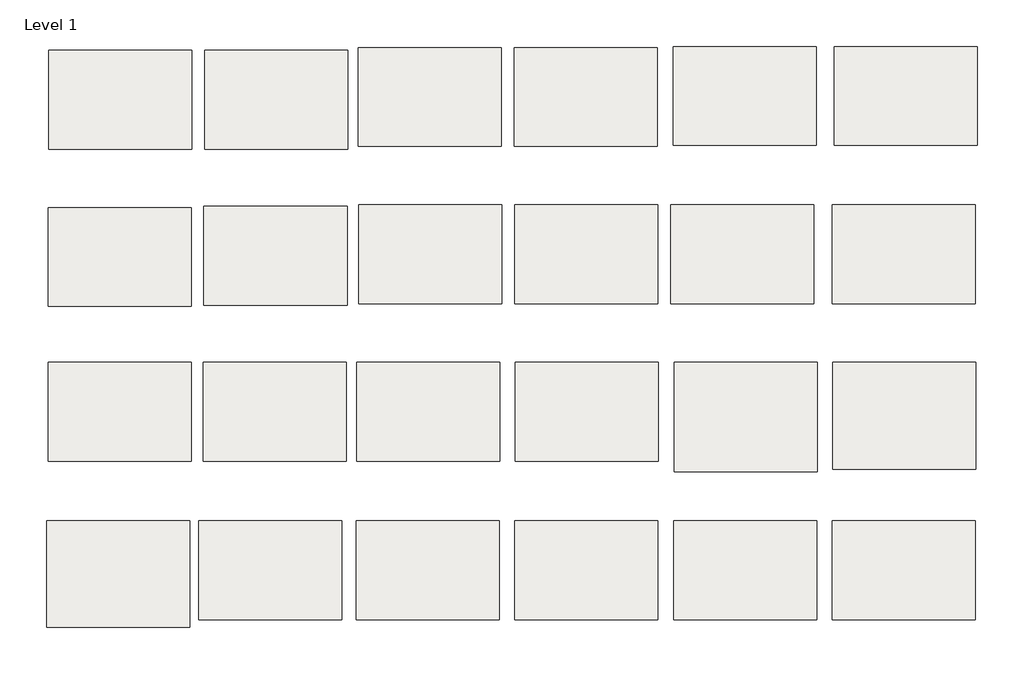
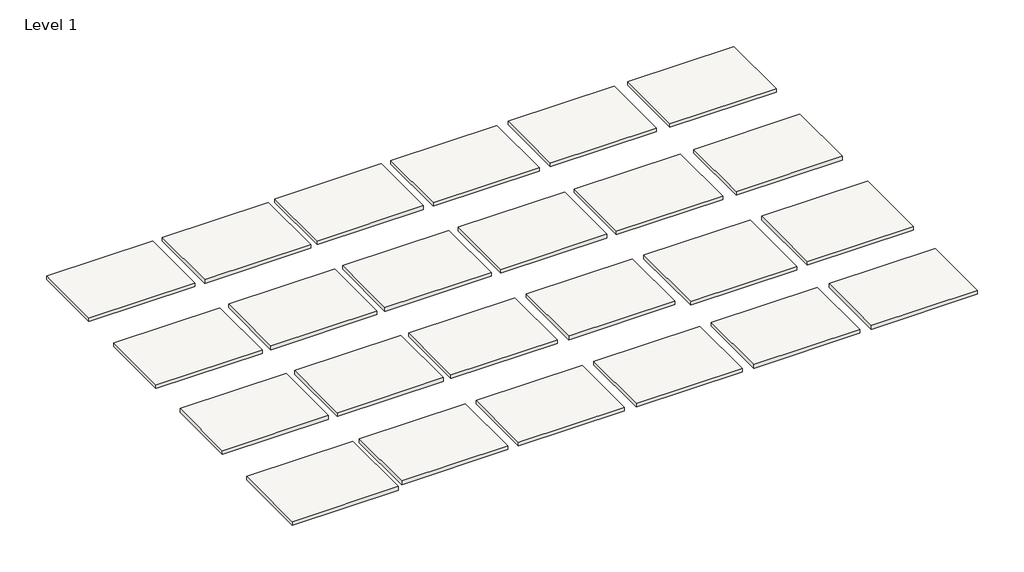
# One storey: 24 slabs.
"""IFC4 building model written with IfcOpenShell, lengths in millimetres."""

from ifc_helpers import new_model, si_unit, frame, origin, place, context, project, spatial, polyline, outline, extrude, element, save

model = new_model("IFC4")

# Units and contexts
model_context = context("Model", 3, world=origin())
ifc_project = project(units=[si_unit("LENGTHUNIT", "METRE", prefix="MILLI")], contexts=[model_context])

# Site, building, storey
site = spatial("IfcSite", under=ifc_project)
building = spatial("IfcBuilding", under=site)
storey = spatial("IfcBuildingStorey", under=building, Name="Level 1", Elevation=0.0)

# Slabs
placement = place(None, origin())
element("IfcSlab", 1, at=placement, inside=storey, context=model_context, shape_type="SweptSolid", body=[
    extrude(outline(polyline([(-1743.8903258, 4705.4284749), (-1743.8903258, 4464.1284749), (-2093.1403258, 4464.1284749), (-2093.1403258, 4705.4284749), (-1743.8903258, 4705.4284749)])), frame((0.0, 0.0, -12.7), z_axis=(0.0, 0.0, 1.0), x_axis=(1.0, 0.0, 0.0)), (0.0, 0.0, 1.0), 12.7),
])
element("IfcSlab", 2, at=placement, inside=storey, context=model_context, shape_type="SweptSolid", body=[
    extrude(outline(polyline([(-1362.8903258, 4705.4284749), (-1362.8903258, 4464.1284749), (-1712.1403258, 4464.1284749), (-1712.1403258, 4705.4284749), (-1362.8903258, 4705.4284749)])), frame((0.0, 0.0, -12.7), z_axis=(0.0, 0.0, 1.0), x_axis=(1.0, 0.0, 0.0)), (0.0, 0.0, 1.0), 12.7),
])
element("IfcSlab", 3, at=placement, inside=storey, context=model_context, shape_type="SweptSolid", body=[
    extrude(outline(polyline([(-988.2403258, 4711.7784749), (-988.2403258, 4470.4784749), (-1337.4903258, 4470.4784749), (-1337.4903258, 4711.7784749), (-988.2403258, 4711.7784749)])), frame((0.0, 0.0, -12.7), z_axis=(0.0, 0.0, 1.0), x_axis=(1.0, 0.0, 0.0)), (0.0, 0.0, 1.0), 12.7),
])
element("IfcSlab", 4, at=placement, inside=storey, context=model_context, shape_type="SweptSolid", body=[
    extrude(outline(polyline([(-607.2403258, 4711.7784749), (-607.2403258, 4470.4784749), (-956.4903258, 4470.4784749), (-956.4903258, 4711.7784749), (-607.2403258, 4711.7784749)])), frame((0.0, 0.0, -12.7), z_axis=(0.0, 0.0, 1.0), x_axis=(1.0, 0.0, 0.0)), (0.0, 0.0, 1.0), 12.7),
])
element("IfcSlab", 5, at=placement, inside=storey, context=model_context, shape_type="SweptSolid", body=[
    extrude(outline(polyline([(-1744.8704815, 4321.3682137), (-1744.8704815, 4080.0682137), (-2094.1204815, 4080.0682137), (-2094.1204815, 4321.3682137), (-1744.8704815, 4321.3682137)])), frame((0.0, 0.0, -12.7), z_axis=(0.0, 0.0, 1.0), x_axis=(1.0, 0.0, 0.0)), (0.0, 0.0, 1.0), 12.7),
])
element("IfcSlab", 6, at=placement, inside=storey, context=model_context, shape_type="SweptSolid", body=[
    extrude(outline(polyline([(-987.1099457, 4327.7182137), (-987.1099457, 4086.4182137), (-1336.3599457, 4086.4182137), (-1336.3599457, 4327.7182137), (-987.1099457, 4327.7182137)])), frame((0.0, 0.0, -12.7), z_axis=(0.0, 0.0, 1.0), x_axis=(1.0, 0.0, 0.0)), (0.0, 0.0, 1.0), 12.7),
])
element("IfcSlab", 7, at=placement, inside=storey, context=model_context, shape_type="SweptSolid", body=[
    extrude(outline(polyline([(-225.1099457, 4327.7182137), (-225.1099457, 4086.4182137), (-574.3599457, 4086.4182137), (-574.3599457, 4327.7182137), (-225.1099457, 4327.7182137)])), frame((0.0, 0.0, -12.7), z_axis=(0.0, 0.0, 1.0), x_axis=(1.0, 0.0, 0.0)), (0.0, 0.0, 1.0), 12.7),
])
element("IfcSlab", 8, at=placement, inside=storey, context=model_context, shape_type="SweptSolid", body=[
    extrude(outline(polyline([(-1366.6347215, 3943.337432), (-1366.6347215, 3702.037432), (-1715.8847215, 3702.037432), (-1715.8847215, 3943.337432), (-1366.6347215, 3943.337432)])), frame((0.0, 0.0, -12.7), z_axis=(0.0, 0.0, 1.0), x_axis=(1.0, 0.0, 0.0)), (0.0, 0.0, 1.0), 12.7),
])
element("IfcSlab", 9, at=placement, inside=storey, context=model_context, shape_type="SweptSolid", body=[
    extrude(outline(polyline([(-1377.3157481, 3556.8227902), (-1377.3157481, 3315.5227902), (-1726.5657481, 3315.5227902), (-1726.5657481, 3556.8227902), (-1377.3157481, 3556.8227902)])), frame((0.0, 0.0, -12.7), z_axis=(0.0, 0.0, 1.0), x_axis=(1.0, 0.0, 0.0)), (0.0, 0.0, 1.0), 12.7),
])
element("IfcSlab", 10, at=placement, inside=storey, context=model_context, shape_type="SweptSolid", body=[
    extrude(outline(polyline([(-993.1407481, 3556.8227902), (-993.1407481, 3315.5227902), (-1342.3907481, 3315.5227902), (-1342.3907481, 3556.8227902), (-993.1407481, 3556.8227902)])), frame((0.0, 0.0, -12.7), z_axis=(0.0, 0.0, 1.0), x_axis=(1.0, 0.0, 0.0)), (0.0, 0.0, 1.0), 12.7),
])
element("IfcSlab", 11, at=placement, inside=storey, context=model_context, shape_type="SweptSolid", body=[
    extrude(outline(polyline([(-605.7907481, 3556.8227902), (-605.7907481, 3315.5227902), (-955.0407481, 3315.5227902), (-955.0407481, 3556.8227902), (-605.7907481, 3556.8227902)])), frame((0.0, 0.0, -12.7), z_axis=(0.0, 0.0, 1.0), x_axis=(1.0, 0.0, 0.0)), (0.0, 0.0, 1.0), 12.7),
])
element("IfcSlab", 12, at=placement, inside=storey, context=model_context, shape_type="SweptSolid", body=[
    extrude(outline(polyline([(-218.4407481, 3556.8227902), (-218.4407481, 3315.5227902), (-567.6907481, 3315.5227902), (-567.6907481, 3556.8227902), (-218.4407481, 3556.8227902)])), frame((0.0, 0.0, -12.7), z_axis=(0.0, 0.0, 1.0), x_axis=(1.0, 0.0, 0.0)), (0.0, 0.0, 1.0), 12.7),
])
element("IfcSlab", 13, at=placement, inside=storey, context=model_context, shape_type="SweptSolid", body=[
    extrude(outline(polyline([(168.9092519, 3556.8227902), (168.9092519, 3315.5227902), (-180.3407481, 3315.5227902), (-180.3407481, 3556.8227902), (168.9092519, 3556.8227902)])), frame((0.0, 0.0, -12.7), z_axis=(0.0, 0.0, 1.0), x_axis=(1.0, 0.0, 0.0)), (0.0, 0.0, 1.0), 12.7),
])
element("IfcSlab", 14, ObjectType="Edgewood Base Tread GB 200 - 1/2\" Thick - HD Carpet Charcoal", at=placement, inside=storey, context=model_context, shape_type="SweptSolid", body=[
    extrude(outline(polyline([(-1364.5207341, 4324.5432137), (-1364.5207341, 4083.2432137), (-1713.7707341, 4083.2432137), (-1713.7707341, 4324.5432137), (-1364.5207341, 4324.5432137)])), frame((0.0, 0.0, -12.7), z_axis=(0.0, 0.0, 1.0), x_axis=(1.0, 0.0, 0.0)), (0.0, 0.0, 1.0), 12.7),
])
element("IfcSlab", 15, ObjectType="Edgewood Base Tread GB 200 - 1/2\" Thick - HD Carpet Denim", at=placement, inside=storey, context=model_context, shape_type="SweptSolid", body=[
    extrude(outline(polyline([(-606.1099457, 4327.7182137), (-606.1099457, 4086.4182137), (-955.3599457, 4086.4182137), (-955.3599457, 4327.7182137), (-606.1099457, 4327.7182137)])), frame((0.0, 0.0, -12.7), z_axis=(0.0, 0.0, 1.0), x_axis=(1.0, 0.0, 0.0)), (0.0, 0.0, 1.0), 12.7),
])
element("IfcSlab", 16, ObjectType="Edgewood Base Tread GB 200 - 1/2\" Thick - HD Carpet Espresso", at=placement, inside=storey, context=model_context, shape_type="SweptSolid", body=[
    extrude(outline(polyline([(168.5900543, 4327.7182137), (168.5900543, 4086.4182137), (-180.6599457, 4086.4182137), (-180.6599457, 4327.7182137), (168.5900543, 4327.7182137)])), frame((0.0, 0.0, -12.7), z_axis=(0.0, 0.0, 1.0), x_axis=(1.0, 0.0, 0.0)), (0.0, 0.0, 1.0), 12.7),
])
element("IfcSlab", 17, ObjectType="Edgewood Base Tread GB 200 - 1/2\" Thick - HD Carpet Java", at=placement, inside=storey, context=model_context, shape_type="SweptSolid", body=[
    extrude(outline(polyline([(-1744.4597215, 3943.337432), (-1744.4597215, 3702.037432), (-2093.7097215, 3702.037432), (-2093.7097215, 3943.337432), (-1744.4597215, 3943.337432)])), frame((0.0, 0.0, -12.7), z_axis=(0.0, 0.0, 1.0), x_axis=(1.0, 0.0, 0.0)), (0.0, 0.0, 1.0), 12.7),
])
element("IfcSlab", 18, ObjectType="Edgewood Base Tread GB 200 - 1/2\" Thick - HD Carpet Onyx", at=placement, inside=storey, context=model_context, shape_type="SweptSolid", body=[
    extrude(outline(polyline([(-219.714455, 4714.2328555), (-219.714455, 4472.9328555), (-568.964455, 4472.9328555), (-568.964455, 4714.2328555), (-219.714455, 4714.2328555)])), frame((0.0, 0.0, -12.7), z_axis=(0.0, 0.0, 1.0), x_axis=(1.0, 0.0, 0.0)), (0.0, 0.0, 1.0), 12.7),
])
element("IfcSlab", 19, ObjectType="Edgewood Base Tread GB 200 - 1/2\" Thick - HD Carpet Shadow", at=placement, inside=storey, context=model_context, shape_type="SweptSolid", body=[
    extrude(outline(polyline([(173.985545, 4714.2328555), (173.985545, 4472.9328555), (-175.264455, 4472.9328555), (-175.264455, 4714.2328555), (173.985545, 4714.2328555)])), frame((0.0, 0.0, -12.7), z_axis=(0.0, 0.0, 1.0), x_axis=(1.0, 0.0, 0.0)), (0.0, 0.0, 1.0), 12.7),
])
element("IfcSlab", 20, ObjectType="Edgewood Base Tread GB 200 - 1/2\" Thick - HD Carpet Spice", at=placement, inside=storey, context=model_context, shape_type="SweptSolid", body=[
    extrude(outline(polyline([(-991.9847215, 3943.337432), (-991.9847215, 3702.037432), (-1341.2347215, 3702.037432), (-1341.2347215, 3943.337432), (-991.9847215, 3943.337432)])), frame((0.0, 0.0, -12.7), z_axis=(0.0, 0.0, 1.0), x_axis=(1.0, 0.0, 0.0)), (0.0, 0.0, 1.0), 12.7),
])
element("IfcSlab", 21, ObjectType="Edgewood Base Tread GB 200 - 1/2\" Thick - HD Carpet Suede", at=placement, inside=storey, context=model_context, shape_type="SweptSolid", body=[
    extrude(outline(polyline([(-604.6347215, 3943.337432), (-604.6347215, 3702.037432), (-953.8847215, 3702.037432), (-953.8847215, 3943.337432), (-604.6347215, 3943.337432)])), frame((0.0, 0.0, -12.7), z_axis=(0.0, 0.0, 1.0), x_axis=(1.0, 0.0, 0.0)), (0.0, 0.0, 1.0), 12.7),
])
element("IfcSlab", 22, ObjectType="Edgewood Base Tread GB 200 - 1/2\" Thick - Vinyl Black", at=placement, inside=storey, context=model_context, shape_type="SweptSolid", body=[
    extrude(outline(polyline([(-217.2847215, 3943.337432), (-217.2847215, 3676.637432), (-566.5347215, 3676.637432), (-566.5347215, 3943.337432), (-217.2847215, 3943.337432)])), frame((0.0, 0.0, -12.7), z_axis=(0.0, 0.0, 1.0), x_axis=(1.0, 0.0, 0.0)), (0.0, 0.0, 1.0), 12.7),
])
element("IfcSlab", 23, ObjectType="Edgewood Base Tread GB 200 - 1/2\" Thick - Vinyl Brown", at=placement, inside=storey, context=model_context, shape_type="SweptSolid", body=[
    extrude(outline(polyline([(170.0652785, 3943.337432), (170.0652785, 3682.987432), (-179.1847215, 3682.987432), (-179.1847215, 3943.337432), (170.0652785, 3943.337432)])), frame((0.0, 0.0, -12.7), z_axis=(0.0, 0.0, 1.0), x_axis=(1.0, 0.0, 0.0)), (0.0, 0.0, 1.0), 12.7),
])
element("IfcSlab", 24, ObjectType="Edgewood Base Tread GB 200 - 1/2\" Thick - Vinyl Grey", at=placement, inside=storey, context=model_context, shape_type="SweptSolid", body=[
    extrude(outline(polyline([(-1748.7907481, 3556.8227902), (-1748.7907481, 3296.4727902), (-2098.0407481, 3296.4727902), (-2098.0407481, 3556.8227902), (-1748.7907481, 3556.8227902)])), frame((0.0, 0.0, -12.7), z_axis=(0.0, 0.0, 1.0), x_axis=(1.0, 0.0, 0.0)), (0.0, 0.0, 1.0), 12.7),
])

save(model, "model.ifc")
